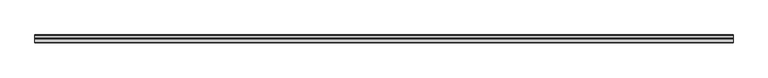
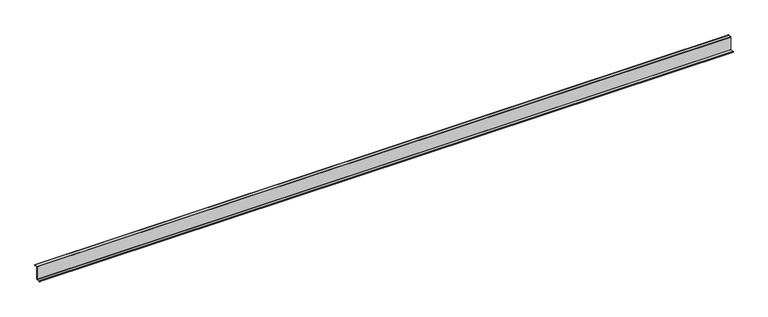
"""IFC4 building model written with IfcOpenShell, lengths in millimetres: member geometry."""

from ifc_helpers import new_model, si_unit, point, frame, frame_2d, origin, place, context, project, spatial, polyline, circle_curve, trimmed, segment, composite_curve, outline, extrude, source, transform, mapped, element, save


def member_cb34efc8(model_context):
    return source(origin(), model_context, "Body", "SweptSolid", [
        extrude(outline(composite_curve([segment(trimmed(circle_curve(frame_2d((-3.5, -123.5)), 3.5), [point((0.0, -123.5))], [point((-3.5, -127.0))], False, "CARTESIAN"), True, "CONTINUOUS"), segment(polyline([(-3.5, -127.0), (-75.0, -127.0)]), True, "CONTINUOUS"), segment(trimmed(circle_curve(frame_2d((-75.0, -123.5)), 3.5), [point((-75.0, -127.0))], [point((-78.5, -123.5))], False, "CARTESIAN"), True, "CONTINUOUS"), segment(polyline([(-78.5, -123.5), (-78.5, -107.5), (-77.0, -107.5), (-77.0, -123.5)]), True, "CONTINUOUS"), segment(trimmed(circle_curve(frame_2d((-75.0, -123.5)), 2.0), [point((-77.0, -123.5))], [point((-75.0, -125.5))], True, "CARTESIAN"), True, "CONTINUOUS"), segment(polyline([(-75.0, -125.5), (-3.5, -125.5)]), True, "CONTINUOUS"), segment(trimmed(circle_curve(frame_2d((-3.5, -123.5)), 2.0), [point((-3.5, -125.5))], [point((-1.5, -123.5))], True, "CARTESIAN"), True, "CONTINUOUS"), segment(polyline([(-1.5, -123.5), (-1.5, 123.5)]), True, "CONTINUOUS"), segment(trimmed(circle_curve(frame_2d((2.0, 123.5)), 3.5), [point((-1.5, 123.5))], [point((2.0, 127.0))], False, "CARTESIAN"), True, "CONTINUOUS"), segment(polyline([(2.0, 127.0), (63.5, 127.0)]), True, "CONTINUOUS"), segment(trimmed(circle_curve(frame_2d((63.5, 123.5)), 3.5), [point((63.5, 127.0))], [point((67.0, 123.5))], False, "CARTESIAN"), True, "CONTINUOUS"), segment(polyline([(67.0, 123.5), (67.0, 107.0), (65.5, 107.0), (65.5, 123.5)]), True, "CONTINUOUS"), segment(trimmed(circle_curve(frame_2d((63.5, 123.5)), 2.0), [point((65.5, 123.5))], [point((63.5, 125.5))], True, "CARTESIAN"), True, "CONTINUOUS"), segment(polyline([(63.5, 125.5), (2.0, 125.5)]), True, "CONTINUOUS"), segment(trimmed(circle_curve(frame_2d((2.0, 123.5)), 2.0), [point((2.0, 125.5))], [point((0.0, 123.5))], True, "CARTESIAN"), True, "CONTINUOUS"), segment(polyline([(0.0, 123.5), (0.0, -123.5)]), True, "CONTINUOUS")], self_intersect=False)), frame((-6956.0, 0.0, 0.0), z_axis=(1.0, 0.0, 0.0), x_axis=(0.0, 1.0, 0.0)), (0.0, 0.0, 1.0), 13012.0),
    ])


if __name__ == "__main__":
    model = new_model("IFC4")
    model_context = context("Model", 3, world=origin())
    ifc_project = project(units=[si_unit("LENGTHUNIT", "METRE", prefix="MILLI")], contexts=[model_context])
    site = spatial("IfcSite", under=ifc_project)
    building = spatial("IfcBuilding", under=site)
    placement = place(None, origin())
    member_shape = member_cb34efc8(model_context)
    element("IfcMember", 1, at=placement, inside=building, context=model_context, shape_type="MappedRepresentation", body=[
        mapped(member_shape, transform((0.0, 0.0, 0.0), x_axis=(1.0, 0.0, 0.0), y_axis=(0.0, 1.0, 0.0), z_axis=(0.0, 0.0, 1.0))),
    ])
    save(model, "model.ifc")
